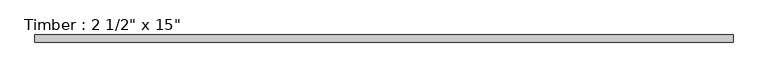
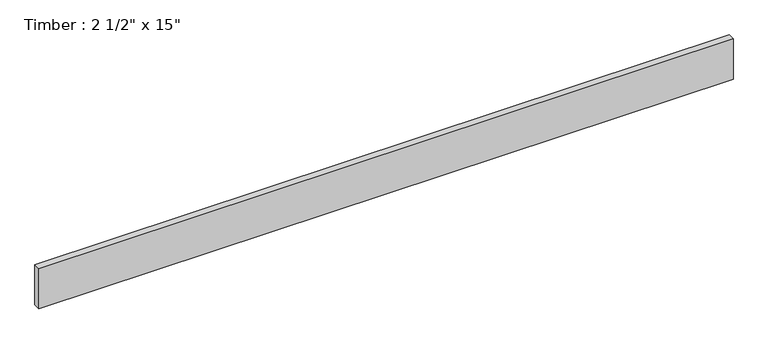
"""IFC4 building model written with IfcOpenShell, lengths in millimetres: beam geometry."""

from ifc_helpers import new_model, si_unit, frame, origin, place, context, project, spatial, polyline, outline, extrude, source, transform, mapped, element, save


def beam_e223973f(model_context):
    return source(origin(), model_context, "Body", "SweptSolid", [
        extrude(outline(polyline([(3117.85, 31.75), (3117.85, -31.75), (-3117.85, -31.75), (-3117.85, 31.75), (3117.85, 31.75)])), frame((0.0, 0.0, -190.5), z_axis=(0.0, 0.0, 1.0), x_axis=(1.0, 0.0, 0.0)), (0.0, 0.0, 1.0), 381.0),
    ])


if __name__ == "__main__":
    model = new_model("IFC4")
    model_context = context("Model", 3, world=origin())
    ifc_project = project(units=[si_unit("LENGTHUNIT", "METRE", prefix="MILLI")], contexts=[model_context])
    site = spatial("IfcSite", under=ifc_project)
    building = spatial("IfcBuilding", under=site)
    placement = place(None, origin())
    beam_shape = beam_e223973f(model_context)
    element("IfcBeam", 1, ObjectType="Timber : 2 1/2\" x 15\"", at=placement, inside=building, context=model_context, shape_type="MappedRepresentation", body=[
        mapped(beam_shape, transform((0.0, 0.0, 0.0), x_axis=(1.0, 0.0, 0.0), y_axis=(0.0, 1.0, 0.0), z_axis=(0.0, 0.0, 1.0))),
    ])
    save(model, "model.ifc")
